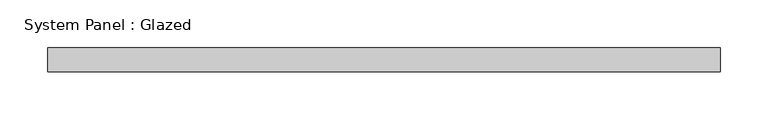
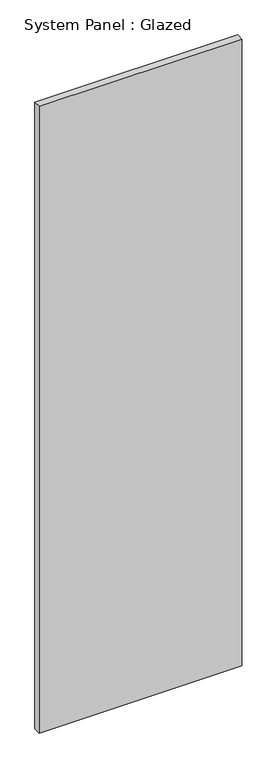
"""IFC4 building model written with IfcOpenShell, lengths in millimetres: plate geometry, System Panel : Glazed."""

from ifc_helpers import new_model, si_unit, origin, origin_with_axes, place, context, project, spatial, polyline, outline, extrude, source, transform, mapped, element, save


def system_panel_glazed_2f45ca98(model_context):
    return source(origin(), model_context, "Body", "SweptSolid", [
        extrude(outline(polyline([(351.8709026, -49.5), (-351.8709026, -49.5), (-351.8709026, -24.5), (351.8709026, -24.5), (351.8709026, -49.5)])), origin_with_axes(), (0.0, 0.0, 1.0), 2300.0),
    ])


if __name__ == "__main__":
    model = new_model("IFC4")
    model_context = context("Model", 3, world=origin())
    ifc_project = project(units=[si_unit("LENGTHUNIT", "METRE", prefix="MILLI")], contexts=[model_context])
    site = spatial("IfcSite", under=ifc_project)
    building = spatial("IfcBuilding", under=site)
    placement = place(None, origin())
    system_panel_glazed_shape = system_panel_glazed_2f45ca98(model_context)
    element("IfcPlate", 1, ObjectType="System Panel : Glazed", at=placement, inside=building, context=model_context, shape_type="MappedRepresentation", body=[
        mapped(system_panel_glazed_shape, transform((0.0, 0.0, 0.0), x_axis=(1.0, 0.0, 0.0), y_axis=(0.0, 1.0, 0.0), z_axis=(0.0, 0.0, 1.0))),
    ])
    save(model, "model.ifc")
